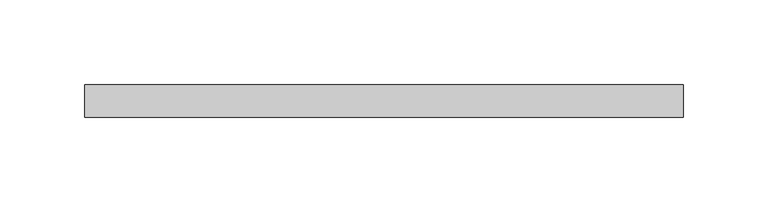
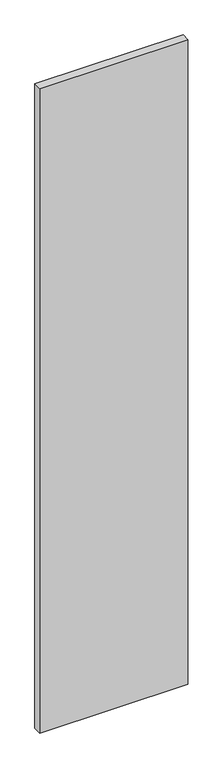
"""IFC4 building model written with IfcOpenShell, lengths in millimetres: plate geometry."""

from ifc_helpers import new_model, si_unit, origin, origin_with_axes, place, context, project, spatial, polyline, outline, extrude, source, transform, mapped, element, save


def plate_f195004c(model_context):
    return source(origin(), model_context, "Body", "SweptSolid", [
        extrude(outline(polyline([(176.0280762, -9.525), (-176.0280762, -9.525), (-176.0280762, 9.525), (176.0280762, 9.525), (176.0280762, -9.525)])), origin_with_axes(), (0.0, 0.0, 1.0), 1618.8912252),
    ])


if __name__ == "__main__":
    model = new_model("IFC4")
    model_context = context("Model", 3, world=origin())
    ifc_project = project(units=[si_unit("LENGTHUNIT", "METRE", prefix="MILLI")], contexts=[model_context])
    site = spatial("IfcSite", under=ifc_project)
    building = spatial("IfcBuilding", under=site)
    placement = place(None, origin())
    plate_shape = plate_f195004c(model_context)
    element("IfcPlate", 1, at=placement, inside=building, context=model_context, shape_type="MappedRepresentation", body=[
        mapped(plate_shape, transform((0.0, 0.0, 0.0), x_axis=(1.0, 0.0, 0.0), y_axis=(0.0, 1.0, 0.0), z_axis=(0.0, 0.0, 1.0))),
    ])
    save(model, "model.ifc")
